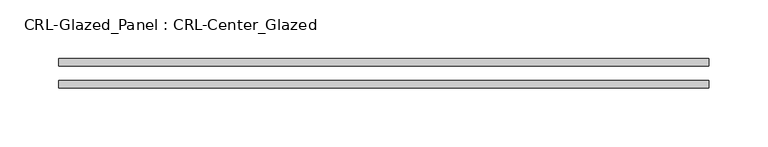
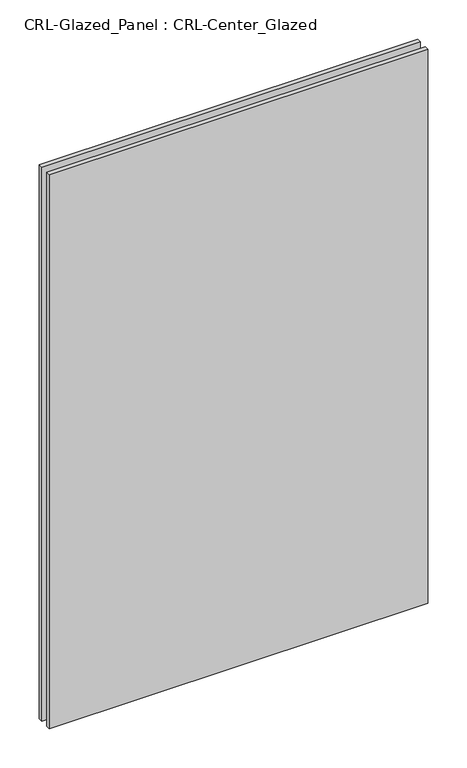
"""IFC4 building model written with IfcOpenShell, lengths in millimetres: plate geometry, CRL-Glazed_Panel : CRL-Center_Glazed."""

import ifcopenshell
import ifcopenshell.guid

model = None  # the IFC model being written
_history = None  # IfcOwnerHistory: only IFC2X3 demands one
_inside = {}  # id of a spatial element -> (the spatial element, [elements in it])
_under = {}  # id of a project, library or spatial element -> (it, [spatial elements below it])
_declared = {}  # id of a project -> (the project, [libraries it declares])
_typed = {}  # id of a type object -> (the type object, [elements of that type])
_made_of = {}  # id of a material, layer set ... -> (it, [elements and type objects made of it])


def new_model(schema):
    """Start an empty IFC model of exactly this schema.

    Asked for "IFC4X3", IfcOpenShell would pick the latest addendum, in which some entities
    have other attributes; the version numbers below select the first issue.
    IFC2X3 requires an IfcOwnerHistory on every rooted entity: one is made here for all.
    """
    global model, _history
    if schema == "IFC4X3":
        model = ifcopenshell.file(schema_version=(4, 3, 0, 0))
    else:
        model = ifcopenshell.file(schema=schema)
    _inside.clear()
    _under.clear()
    _declared.clear()
    _typed.clear()
    _made_of.clear()
    _history = None
    if model.schema == "IFC2X3":
        org = make("IfcOrganization", Name="unknown")
        user = make(
            "IfcPersonAndOrganization",
            ThePerson=make("IfcPerson", FamilyName="unknown"),
            TheOrganization=org,
        )
        app = make(
            "IfcApplication",
            ApplicationDeveloper=org,
            Version="unknown",
            ApplicationFullName="unknown",
            ApplicationIdentifier="unknown",
        )
        _history = make(
            "IfcOwnerHistory",
            OwningUser=user,
            OwningApplication=app,
            ChangeAction="ADDED",
            CreationDate=0,
        )
    return model


def make(cls, **values):
    """One entity of the class cls with the attributes given. An attribute that is None is left unset."""
    return model.create_entity(
        cls, **{name: value for name, value in values.items() if value is not None}
    )


def rooted(cls, **values):
    """An entity with a GlobalId (a new one), such as an element, a storey or a relation."""
    return make(cls, GlobalId=ifcopenshell.guid.new(), OwnerHistory=_history, **values)


def si_unit(unit_type, name, prefix=None):
    """IfcSIUnit, for example si_unit("LENGTHUNIT", "METRE", prefix="MILLI")."""
    return make("IfcSIUnit", UnitType=unit_type, Prefix=prefix, Name=name)


def assignment(units):
    """IfcUnitAssignment: the units of a project."""
    return None if units is None else make("IfcUnitAssignment", Units=units)


def point(xyz):
    """IfcCartesianPoint."""
    return None if xyz is None else make("IfcCartesianPoint", Coordinates=xyz)


def direction(xyz):
    """IfcDirection."""
    return None if xyz is None else make("IfcDirection", DirectionRatios=xyz)


def frame(location, z_axis=None, x_axis=None):
    """IfcAxis2Placement3D, a coordinate frame: its origin and axes. An axis left out is left unset."""
    return make(
        "IfcAxis2Placement3D",
        Location=point(location),
        Axis=direction(z_axis),
        RefDirection=direction(x_axis),
    )


def origin():
    """The frame at (0, 0, 0) with its axes left unset."""
    return frame((0.0, 0.0, 0.0))


def origin_with_axes():
    """The frame at (0, 0, 0) with the z axis (0, 0, 1) and the x axis (1, 0, 0) written out."""
    return frame((0.0, 0.0, 0.0), z_axis=(0.0, 0.0, 1.0), x_axis=(1.0, 0.0, 0.0))


def place(relative_to, where):
    """IfcLocalPlacement: puts the frame where relative to a parent placement (None: the world)."""
    return make(
        "IfcLocalPlacement", PlacementRelTo=relative_to, RelativePlacement=where
    )


def context(
    kind, dimensions, precision=None, world=None, true_north=None, identifier=None
):
    """IfcGeometricRepresentationContext, for example the 3D "Model" context."""
    return make(
        "IfcGeometricRepresentationContext",
        ContextIdentifier=identifier,
        ContextType=kind,
        CoordinateSpaceDimension=dimensions,
        Precision=precision,
        WorldCoordinateSystem=world,
        TrueNorth=true_north,
    )


def project(units=None, contexts=None):
    """IfcProject with its units and contexts."""
    return rooted(
        "IfcProject",
        Name="project",
        RepresentationContexts=contexts,
        UnitsInContext=assignment(units),
    )


def spatial(cls, under=None, at=None, **own):
    """A site, building, storey or space (cls), placed at a placement, below another one or the project."""
    s = rooted(cls, ObjectPlacement=at, **own)
    if under is not None:
        _under.setdefault(under.id(), (under, []))[1].append(s)
    return s


def polyline(points):
    """IfcPolyline through the points."""
    return make("IfcPolyline", Points=[point(p) for p in points])


def outline(outer, holes=None, kind="AREA"):
    """IfcArbitraryClosedProfileDef: a profile drawn as a closed curve; with holes, ...WithVoids."""
    if holes is None:
        return make("IfcArbitraryClosedProfileDef", ProfileType=kind, OuterCurve=outer)
    return make(
        "IfcArbitraryProfileDefWithVoids",
        ProfileType=kind,
        OuterCurve=outer,
        InnerCurves=holes,
    )


def extrude(swept, where, along, depth):
    """IfcExtrudedAreaSolid: the profile swept, set in the frame where, extruded along a direction by depth."""
    return make(
        "IfcExtrudedAreaSolid",
        SweptArea=swept,
        Position=where,
        ExtrudedDirection=direction(along),
        Depth=depth,
    )


def shape(context_of_items, identifier, shape_type, items):
    """IfcShapeRepresentation: the items that make up one representation, for example the "Body"."""
    return make(
        "IfcShapeRepresentation",
        ContextOfItems=context_of_items,
        RepresentationIdentifier=identifier,
        RepresentationType=shape_type,
        Items=items,
    )


def source(mapping_origin, context_of_items, identifier, shape_type, items):
    """IfcRepresentationMap: a shape defined once, which mapped items show again and again."""
    return make(
        "IfcRepresentationMap",
        MappingOrigin=mapping_origin,
        MappedRepresentation=shape(context_of_items, identifier, shape_type, items),
    )


def transform(
    local_origin,
    x_axis=None,
    y_axis=None,
    z_axis=None,
    scale=None,
    scale2=None,
    scale3=None,
    uniform=True,
):
    """IfcCartesianTransformationOperator3D, or its non-uniform kind. x_axis, y_axis, z_axis: its Axis1, 2, 3."""
    if uniform:
        return make(
            "IfcCartesianTransformationOperator3D",
            Axis1=direction(x_axis),
            Axis2=direction(y_axis),
            LocalOrigin=point(local_origin),
            Scale=scale,
            Axis3=direction(z_axis),
        )
    return make(
        "IfcCartesianTransformationOperator3DnonUniform",
        Axis1=direction(x_axis),
        Axis2=direction(y_axis),
        LocalOrigin=point(local_origin),
        Scale=scale,
        Axis3=direction(z_axis),
        Scale2=scale2,
        Scale3=scale3,
    )


def mapped(mapping_source, mapping_target):
    """IfcMappedItem: shows the shape of a source again, moved by a transform."""
    return make(
        "IfcMappedItem", MappingSource=mapping_source, MappingTarget=mapping_target
    )


def made_of(thing, what):
    """Note that an element or type object is made of a material, layer set ...; save() writes the relation."""
    if what is not None:
        _made_of.setdefault(what.id(), (what, []))[1].append(thing)
    return thing


def element(
    cls,
    number,
    at=None,
    inside=None,
    cuts=None,
    type_object=None,
    material=None,
    context=None,
    identifier="Body",
    shape_type=None,
    held_by="IfcProductDefinitionShape",
    body=None,
    shapes=None,
    **own,
):
    """One element of the class cls, such as IfcWall. Its Tag is "e" and its number.

    at: its placement. inside: the storey or other place that contains it. cuts: it is an
    opening in that element (IfcRelVoidsElement). A single representation is given by context,
    identifier, shape_type and body (its items); several are given by shapes. held_by: the class
    of the entity that holds the representations. save() writes the other relations.
    """
    e = rooted(cls, Tag="e%d" % number, ObjectPlacement=at, **own)
    if body is not None:
        shapes = [shape(context, identifier, shape_type, body)]
    if shapes is not None:
        e.Representation = make(held_by, Representations=shapes)
    if inside is not None:
        _inside.setdefault(inside.id(), (inside, []))[1].append(e)
    if cuts is not None:
        rooted(
            "IfcRelVoidsElement", RelatingBuildingElement=cuts, RelatedOpeningElement=e
        )
    if type_object is not None:
        _typed.setdefault(type_object.id(), (type_object, []))[1].append(e)
    return made_of(e, material)


def aggregate(whole, parts):
    """IfcRelAggregates: a whole, such as a stair, and the parts it consists of."""
    return rooted("IfcRelAggregates", RelatingObject=whole, RelatedObjects=parts)


def save(model, path):
    """Write the relations noted so far, then the file.

    IfcRelAggregates (storeys below a building ...), IfcRelContainedInSpatialStructure (elements
    in a storey), IfcRelDefinesByType, IfcRelAssociatesMaterial and IfcRelDeclares: one each for
    every whole, place, type object, material and project.
    """
    for whole, parts in _under.values():
        aggregate(whole, parts)
    for where, things in _inside.values():
        rooted(
            "IfcRelContainedInSpatialStructure",
            RelatedElements=things,
            RelatingStructure=where,
        )
    for kind, things in _typed.values():
        rooted("IfcRelDefinesByType", RelatedObjects=things, RelatingType=kind)
    for what, things in _made_of.values():
        rooted("IfcRelAssociatesMaterial", RelatedObjects=things, RelatingMaterial=what)
    for by, libraries in _declared.values():
        rooted("IfcRelDeclares", RelatingContext=by, RelatedDefinitions=libraries)
    model.write(path)


def crl_glazed_panel_crl_center_glazed_ce8d85a9(model_context):
    return source(origin(), model_context, "Body", "SweptSolid", [
        extrude(outline(polyline([(277.8125, -12.7), (-277.8125, -12.7), (-277.8125, -6.35), (277.8125, -6.35), (277.8125, -12.7)])), origin_with_axes(), (0.0, 0.0, 1.0), 860.425),
        extrude(outline(polyline([(-277.8125, 6.35), (-277.8125, 12.7), (277.8125, 12.7), (277.8125, 6.35), (-277.8125, 6.35)])), origin_with_axes(), (0.0, 0.0, 1.0), 860.425),
    ])


if __name__ == "__main__":
    model = new_model("IFC4")
    model_context = context("Model", 3, world=origin())
    ifc_project = project(units=[si_unit("LENGTHUNIT", "METRE", prefix="MILLI")], contexts=[model_context])
    site = spatial("IfcSite", under=ifc_project)
    building = spatial("IfcBuilding", under=site)
    placement = place(None, origin())
    crl_glazed_panel_crl_center_glazed_shape = crl_glazed_panel_crl_center_glazed_ce8d85a9(model_context)
    element("IfcPlate", 1, ObjectType="CRL-Glazed_Panel : CRL-Center_Glazed", at=placement, inside=building, context=model_context, shape_type="MappedRepresentation", body=[
        mapped(crl_glazed_panel_crl_center_glazed_shape, transform((0.0, 0.0, 0.0), x_axis=(1.0, 0.0, 0.0), y_axis=(0.0, 1.0, 0.0), z_axis=(0.0, 0.0, 1.0))),
    ])
    save(model, "model.ifc")
